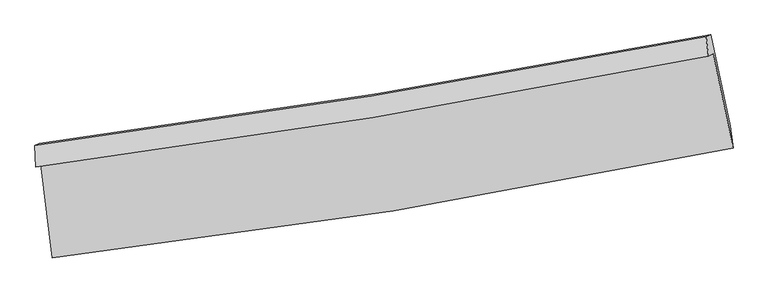
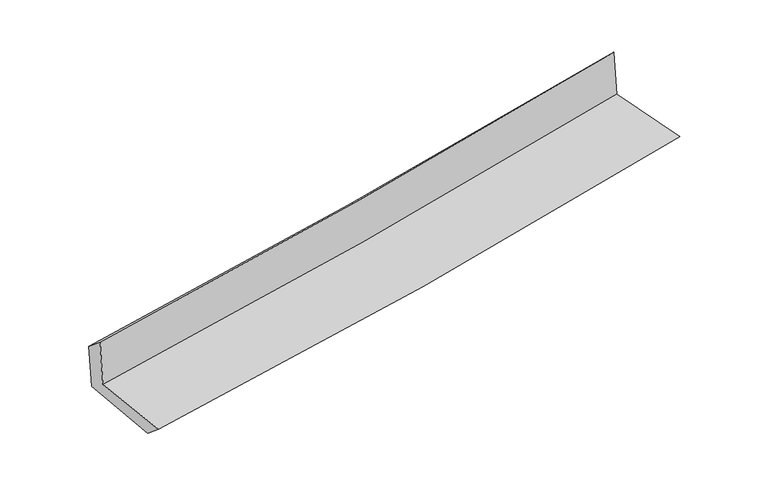
"""IFC4 building model written with IfcOpenShell, lengths in millimetres: proxy geometry."""

from ifc_helpers import new_model, si_unit, frame, origin, place, context, project, spatial, source, transform, mapped, element, save
from ifc_brep_helpers import plane_surface, spline_curve, spline_surface, advanced_brep


def generic_models_b1426f5d(model_context):
    return source(origin(), model_context, "Body", "AdvancedBrep", [
        advanced_brep(
        [(-2392.7271919, -1869.9818549, 1681.7321279), (-2309.7834887, -2529.5626287, 1656.5366439), (2476.9614704, -1757.0443798, 2094.5372306), (2336.8786823, -1091.8314307, 2115.1718338), (-2425.9323379, -1889.1443069, 2074.0654191), (2303.6735363, -1110.9938827, 2507.5051249), (-2433.0840834, -1740.5157763, 1952.3964303), (2287.8152509, -973.6129247, 2373.8440782), (-2401.1161097, -1726.5055443, 1580.6710556), (2318.8142906, -960.1163964, 2017.200928), (-2316.7609607, -2384.406766, 1537.6312369), (2456.107061, -1604.0856785, 1979.4620339)],
        [
            (0, 1),
            (1, 2, spline_curve(3, [(-2309.7834887, -2529.5626287, 1656.5366439), (-1507.624313253, -2438.044617028, 1731.221556511), (-708.34285711, -2328.054242148, 1805.001725887), (887.259025776, -2070.678017526, 1951.008281712), (1683.559222673, -1923.162309651, 2023.228308023), (2476.9614704, -1757.0443798, 2094.5372306)], [4, 2, 4], [0.0, 7.928644158574206, 15.885108224650438])),
            (2, 3),
            (3, 0, spline_curve(3, [(2336.8786823, -1091.8314307, 2115.1718338), (1551.779153347, -1250.286180767, 2044.93989926), (764.401328303, -1394.448002761, 1973.638829854), (-812.149867286, -1653.731701117, 1829.151464357), (-1601.307333779, -1768.953354216, 1755.972631813), (-2392.7271919, -1869.9818549, 1681.7321279)], [4, 2, 4], [0.0, 7.956464066076232, 15.885108224650438])),
            (4, 0),
            (3, 5),
            (5, 4, spline_curve(3, [(2303.6735363, -1110.9938827, 2507.5051249), (1518.292735263, -1269.61095303, 2440.596542555), (730.774520549, -1413.853792634, 2370.954239072), (-845.775691655, -1673.136923836, 2226.455253689), (-1634.792768446, -1788.277558604, 2151.617655241), (-2425.9323379, -1889.1443069, 2074.0654191)], [4, 2, 4], [0.0, 7.910264692737378, 15.792871014841653])),
            (6, 4),
            (5, 7),
            (7, 6, spline_curve(3, [(2287.8152509, -973.6129247, 2373.8440782), (1503.182085867, -1123.421532375, 2302.718551246), (716.765122969, -1262.327270521, 2231.974309637), (-856.880440644, -1517.885443743, 2091.494421798), (-1644.096589488, -1634.613989263, 2021.756114365), (-2433.0840834, -1740.5157763, 1952.3964303)], [4, 2, 4], [0.0, 7.900518433108782, 15.773412573541592])),
            (8, 6),
            (7, 9),
            (9, 8, spline_curve(3, [(2318.8142906, -960.1163964, 2017.200928), (1534.204278081, -1109.902869419, 1945.191758476), (747.879898748, -1248.75460082, 1872.745211215), (-825.442202309, -1504.14131692, 1727.232200229), (-1612.427956605, -1620.752634726, 1654.168790358), (-2401.1161097, -1726.5055443, 1580.6710556)], [4, 2, 4], [0.0, 7.890963278932272, 15.754335674942347])),
            (10, 8),
            (9, 11),
            (11, 10, spline_curve(3, [(2456.107061, -1604.0856785, 1979.4620339), (1665.312284192, -1771.355285354, 1905.643865147), (871.474004953, -1920.098339541, 1831.851109658), (-719.503248293, -2180.076038319, 1684.574354866), (-1516.620976349, -2291.440013339, 1611.090177825), (-2316.7609607, -2384.406766, 1537.6312369)], [4, 2, 4], [0.0, 7.93704665053071, 15.846341286872292])),
            (1, 10),
            (11, 2),
        ],
        [
            spline_surface(3, 3, [[(-2392.7271919, -1869.9818549, 1681.7321279), (-1601.307333895, -1768.953354107, 1755.972631927), (-812.149867361, -1653.731701223, 1829.151464412), (764.401328378, -1394.448002654, 1973.638829798), (1551.779153255, -1250.286180831, 2044.939899292), (2336.8786823, -1091.8314307, 2115.1718338)], [(-2365.079290815, -2089.842112814, 1673.333633241), (-1570.079660355, -1991.983775063, 1747.722273486), (-777.547530638, -1878.505881496, 1821.101551565), (805.353894204, -1619.858007645, 1966.095313753), (1595.705843108, -1474.578223773, 2037.702702183), (2383.572945016, -1313.569080418, 2108.293632733)], [(-2337.431389785, -2309.702370786, 1664.935138559), (-1538.851986871, -2215.014196078, 1739.471915021), (-742.945193914, -2103.280061772, 1813.051638751), (846.306460032, -1845.268012638, 1958.551797741), (1639.632532916, -1698.870266659, 2030.465505075), (2430.267207684, -1535.306730082, 2101.415431667)], [(-2309.7834887, -2529.5626287, 1656.5366439), (-1507.624313332, -2438.044617034, 1731.22155658), (-708.342857192, -2328.054242046, 1805.001725904), (887.259025858, -2070.678017629, 1951.008281695), (1683.55922277, -1923.162309601, 2023.228307967), (2476.9614704, -1757.0443798, 2094.5372306)]], [4, 4], [4, 2, 4], [0.0, 2.247797412144433], [0.0, 7.928644158574206, 15.885108224650438]),
            spline_surface(3, 3, [[(-2425.9323379, -1889.1443069, 2074.0654191), (-1634.79276849, -1788.277558649, 2151.617655197), (-845.775691686, -1673.136923743, 2226.45525361), (730.77452058, -1413.853792728, 2370.954239151), (1518.292735187, -1269.610952928, 2440.596542618), (2303.6735363, -1110.9938827, 2507.5051249)], [(-2414.863955897, -1882.756822895, 1943.287655386), (-1623.630956956, -1781.83615713, 2019.735980793), (-834.567083573, -1666.668516253, 2094.02065721), (741.983456517, -1407.385196054, 2238.515769367), (1529.454874545, -1263.169362224, 2308.710994829), (2314.741918302, -1104.606398695, 2376.727361186)], [(-2403.795573903, -1876.369338905, 1812.509891614), (-1612.46914543, -1775.394755626, 1887.854306331), (-823.358475473, -1660.200108712, 1961.586060812), (753.192392441, -1400.916599328, 2106.077299583), (1540.617013896, -1256.727771535, 2176.825447081), (2325.810300298, -1098.218914705, 2245.949597514)], [(-2392.7271919, -1869.9818549, 1681.7321279), (-1601.307333895, -1768.953354107, 1755.972631927), (-812.149867361, -1653.731701223, 1829.151464412), (764.401328378, -1394.448002654, 1973.638829798), (1551.779153255, -1250.286180831, 2044.939899292), (2336.8786823, -1091.8314307, 2115.1718338)]], [4, 4], [4, 2, 4], [0.0, 1.3097177974726992], [0.0, 7.882606322104275, 15.792871014841653]),
            spline_surface(3, 3, [[(-2433.0840834, -1740.5157763, 1952.3964303), (-1644.096589427, -1634.61398936, 2021.75611431), (-856.880440727, -1517.885443651, 2091.4944219), (716.765123053, -1262.327270613, 2231.974309534), (1503.182085788, -1123.421532461, 2302.718551218), (2287.8152509, -973.6129247, 2373.8440782)], [(-2430.700168256, -1790.058619837, 1992.952759893), (-1640.995315803, -1685.835179127, 2065.043294599), (-853.178857739, -1569.635937001, 2136.481365802), (721.434922204, -1312.836111304, 2278.300952738), (1508.218968893, -1172.151339277, 2348.677881692), (2293.101346006, -1019.40657736, 2418.39776044)], [(-2428.316253044, -1839.601463363, 2033.509089507), (-1637.894042114, -1737.056368882, 2108.330474909), (-849.477274675, -1621.386430392, 2181.468309708), (726.10472143, -1363.344952037, 2324.627595947), (1513.255852081, -1220.881146112, 2394.637212144), (2298.387441194, -1065.20023004, 2462.95144266)], [(-2425.9323379, -1889.1443069, 2074.0654191), (-1634.79276849, -1788.277558649, 2151.617655197), (-845.775691686, -1673.136923743, 2226.45525361), (730.77452058, -1413.853792728, 2370.954239151), (1518.292735187, -1269.610952928, 2440.596542618), (2303.6735363, -1110.9938827, 2507.5051249)]], [4, 4], [4, 2, 4], [0.0, 0.6759389200625238], [0.0, 7.87289414043281, 15.773412573541592]),
            spline_surface(3, 3, [[(-2401.1161097, -1726.5055443, 1580.6710556), (-1612.427956574, -1620.75263471, 1654.168790297), (-825.442202326, -1504.141316856, 1727.232200355), (747.879898765, -1248.754600884, 1872.745211089), (1534.20427796, -1109.902869429, 1945.191758464), (2318.8142906, -960.1163964, 2017.200928)], [(-2411.77210093, -1731.175621652, 1704.579513838), (-1622.984167521, -1625.373086279, 1776.697898306), (-835.921615114, -1508.722692467, 1848.652940875), (737.508306873, -1253.27882414, 1992.488243909), (1523.863547245, -1114.40909045, 2064.367356049), (2308.481277376, -964.615239178, 2136.081978067)], [(-2422.42809217, -1735.845698948, 1828.487972062), (-1633.54037848, -1629.993537791, 1899.227006301), (-846.401027939, -1513.30406804, 1970.07368138), (727.136714945, -1257.803047357, 2112.231276714), (1513.522816503, -1118.915311439, 2183.542953633), (2298.148264124, -969.114081922, 2254.963028133)], [(-2433.0840834, -1740.5157763, 1952.3964303), (-1644.096589427, -1634.61398936, 2021.75611431), (-856.880440727, -1517.885443651, 2091.4944219), (716.765123053, -1262.327270613, 2231.974309534), (1503.182085788, -1123.421532461, 2302.718551218), (2287.8152509, -973.6129247, 2373.8440782)]], [4, 4], [4, 2, 4], [0.0, 1.1920708567091307], [0.0, 7.8633723960100745, 15.754335674942347]),
            spline_surface(3, 3, [[(-2316.7609607, -2384.406766, 1537.6312369), (-1516.620976312, -2291.44001336, 1611.090177804), (-719.503248344, -2180.076038372, 1684.574354793), (871.474005004, -1920.098339488, 1831.851109731), (1665.312284249, -1771.355285331, 1905.643865052), (2456.107061, -1604.0856785, 1979.4620339)], [(-2344.879343682, -2165.106358742, 1551.97784312), (-1548.556636381, -2067.877553785, 1625.449715288), (-754.816232994, -1954.764464525, 1698.793636633), (830.275969602, -1696.317093278, 1845.482476836), (1621.609615488, -1550.871146687, 1918.826496182), (2410.342804202, -1389.429251124, 1992.041665259)], [(-2372.997726718, -1945.805951558, 1566.32444938), (-1580.492296505, -1844.315094285, 1639.809252813), (-790.129217676, -1729.452890703, 1713.012918515), (789.077934167, -1472.535847094, 1859.113843984), (1577.906946721, -1330.387008072, 1932.009127335), (2364.578547398, -1174.772823776, 2004.621296641)], [(-2401.1161097, -1726.5055443, 1580.6710556), (-1612.427956574, -1620.75263471, 1654.168790297), (-825.442202326, -1504.141316856, 1727.232200355), (747.879898765, -1248.754600884, 1872.745211089), (1534.20427796, -1109.902869429, 1945.191758464), (2318.8142906, -960.1163964, 2017.200928)]], [4, 4], [4, 2, 4], [0.0, 2.2461232582459254], [0.0, 7.909294636341582, 15.846341286872292]),
            spline_surface(3, 3, [[(-2309.7834887, -2529.5626287, 1656.5366439), (-1507.624313332, -2438.044617034, 1731.22155658), (-708.342857192, -2328.054242046, 1805.001725904), (887.259025858, -2070.678017629, 1951.008281695), (1683.55922277, -1923.162309601, 2023.228307967), (2476.9614704, -1757.0443798, 2094.5372306)], [(-2312.109312721, -2481.177341161, 1616.901508222), (-1510.623201012, -2389.176415837, 1691.177763644), (-712.062987577, -2278.728174148, 1764.85926889), (881.997352239, -2020.484791576, 1911.289224397), (1677.476909928, -1872.559968169, 1984.033493677), (2470.010000598, -1706.058146025, 2056.178831715)], [(-2314.435136679, -2432.792053539, 1577.266372578), (-1513.622088631, -2340.308214557, 1651.13397074), (-715.783117959, -2229.40210627, 1724.716811807), (876.735678624, -1970.291565542, 1871.57016703), (1671.394597091, -1821.957626763, 1944.838679342), (2463.058530802, -1655.071912275, 2017.820432785)], [(-2316.7609607, -2384.406766, 1537.6312369), (-1516.620976312, -2291.44001336, 1611.090177804), (-719.503248344, -2180.076038372, 1684.574354793), (871.474005004, -1920.098339488, 1831.851109731), (1665.312284249, -1771.355285331, 1905.643865052), (2456.107061, -1604.0856785, 1979.4620339)]], [4, 4], [4, 2, 4], [0.0, 0.6295191233887641], [0.0, 7.964889412987368, 15.957725910280892]),
            plane_surface(frame((2363.3750486, -1249.6141155, 2181.2868716), z_axis=(0.9749263546705699, 0.20243706332334674, 0.09240042403459763), x_axis=(-0.08653096862679305, -0.03767431772240513, 0.9955365574667061))),
            plane_surface(frame((-2379.9006954, -2023.3528129, 1747.1721523), z_axis=(-0.9886149719938669, -0.1208987105771723, -0.0895764418267607), x_axis=(-0.12467997906465991, 0.9914739013719984, 0.037873549062963904))),
        ],
        [
            (0, [[1, 2, 3, 4]]),
            (1, [[5, -4, 6, 7]]),
            (2, [[8, -7, 9, 10]]),
            (3, [[11, -10, 12, 13]]),
            (4, [[14, -13, 15, 16]]),
            (5, [[17, -16, 18, -2]]),
            (6, [[-12, -9, -6, -3, -18, -15]]),
            (7, [[-1, -5, -8, -11, -14, -17]]),
        ],
    ),
    ])


if __name__ == "__main__":
    model = new_model("IFC4")
    model_context = context("Model", 3, world=origin())
    ifc_project = project(units=[si_unit("LENGTHUNIT", "METRE", prefix="MILLI")], contexts=[model_context])
    site = spatial("IfcSite", under=ifc_project)
    building = spatial("IfcBuilding", under=site)
    placement = place(None, origin())
    generic_models_shape = generic_models_b1426f5d(model_context)
    element("IfcBuildingElementProxy", 1, Name="Generic Models", at=placement, inside=building, context=model_context, shape_type="MappedRepresentation", body=[
        mapped(generic_models_shape, transform((0.0, 0.0, 0.0), x_axis=(1.0, 0.0, 0.0), y_axis=(0.0, 1.0, 0.0), z_axis=(0.0, 0.0, 1.0))),
    ])
    save(model, "model.ifc")
